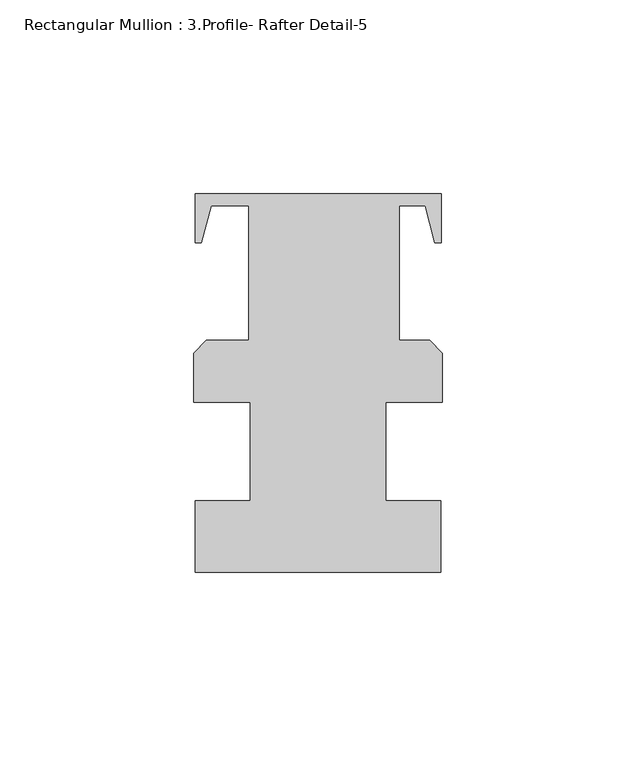
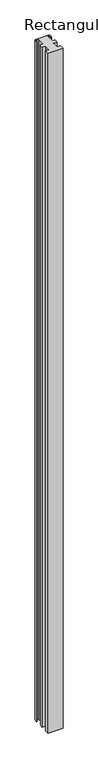
"""IFC4 building model written with IfcOpenShell, lengths in millimetres: member geometry, Rectangular Mullion : 3.Profile- Rafter Detail-5."""

from ifc_helpers import new_model, si_unit, frame, origin, place, context, project, spatial, polyline, outline, extrude, source, transform, mapped, element, save


def rectangular_mullion_3_profile_rafter_detail_5_a4dc1c1b(model_context):
    return source(origin(), model_context, "Body", "SweptSolid", [
        extrude(outline(polyline([(-63.896875, -56.5122842), (-63.896875, -38.0020342), (-49.609375, -38.0020342), (-49.609375, -12.6020596), (-64.29375, -12.6020596), (-64.29375, 0.0979658), (-60.96635, 3.4253658), (-50.003075, 3.4253658), (-50.003075, 38.1979658), (-59.7238849, 38.1979658), (-62.276101, 28.6729658), (-63.850901, 28.6729658), (-63.850901, 41.3729658), (-0.350901, 41.3729658), (-0.350901, 28.6729658), (-1.925701, 28.6729658), (-4.4779171, 38.1979658), (-11.1156775, 38.1979658), (-11.1156775, 3.4253658), (-3.3274, 3.4253658), (0.0, 0.0979658), (0.0, -12.6020596), (-14.684375, -12.6020596), (-14.684375, -38.0020342), (-0.396875, -38.0020342), (-0.396875, -56.5122842), (-63.896875, -56.5122842)])), frame((0.0, 0.0, -3048.0), z_axis=(0.0, 0.0, 1.0), x_axis=(1.0, 0.0, 0.0)), (0.0, 0.0, 1.0), 3048.0),
    ])


if __name__ == "__main__":
    model = new_model("IFC4")
    model_context = context("Model", 3, world=origin())
    ifc_project = project(units=[si_unit("LENGTHUNIT", "METRE", prefix="MILLI")], contexts=[model_context])
    site = spatial("IfcSite", under=ifc_project)
    building = spatial("IfcBuilding", under=site)
    placement = place(None, origin())
    rectangular_mullion_3_profile_rafter_detail_5_shape = rectangular_mullion_3_profile_rafter_detail_5_a4dc1c1b(model_context)
    element("IfcMember", 1, ObjectType="Rectangular Mullion : 3.Profile- Rafter Detail-5", at=placement, inside=building, context=model_context, shape_type="MappedRepresentation", body=[
        mapped(rectangular_mullion_3_profile_rafter_detail_5_shape, transform((0.0, 0.0, 0.0), x_axis=(1.0, 0.0, 0.0), y_axis=(0.0, 1.0, 0.0), z_axis=(0.0, 0.0, 1.0))),
    ])
    save(model, "model.ifc")
